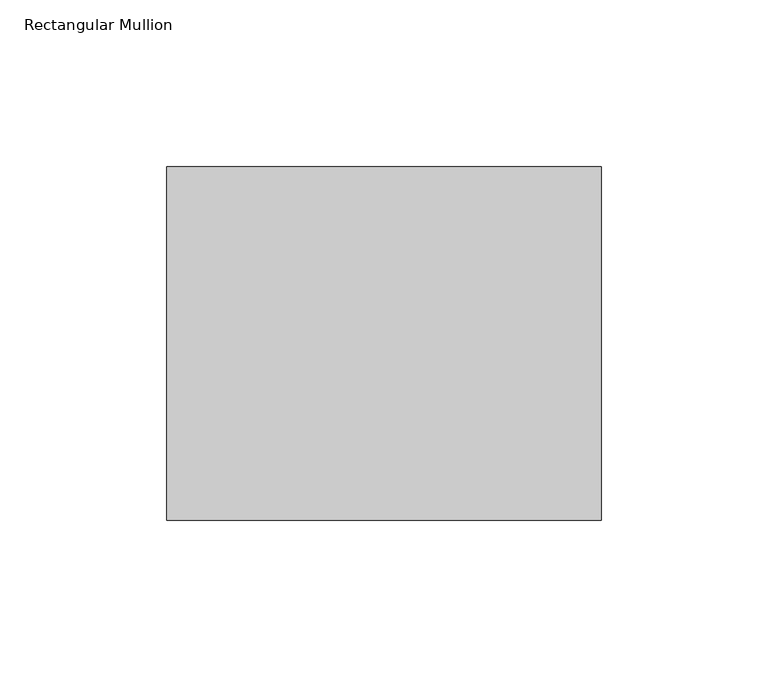
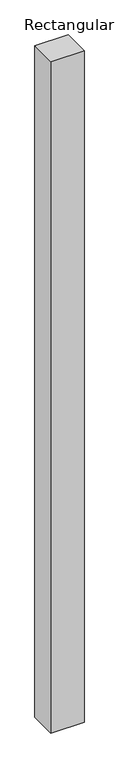
"""IFC4 building model written with IfcOpenShell, lengths in millimetres: member geometry, Rectangular Mullion."""

from ifc_helpers import new_model, si_unit, frame, origin, place, context, project, spatial, polyline, outline, extrude, source, transform, mapped, element, save


def rectangular_mullion_b66e7257(model_context):
    return source(origin(), model_context, "Body", "SweptSolid", [
        extrude(outline(polyline([(-130.0, 52.8779994), (0.0, 52.8779994), (0.0, -52.8779994), (-130.0, -52.8779994), (-130.0, 52.8779994)])), frame((0.0, 0.0, -2760.0), z_axis=(0.0, 0.0, 1.0), x_axis=(1.0, 0.0, 0.0)), (0.0, 0.0, 1.0), 2760.0),
    ])


if __name__ == "__main__":
    model = new_model("IFC4")
    model_context = context("Model", 3, world=origin())
    ifc_project = project(units=[si_unit("LENGTHUNIT", "METRE", prefix="MILLI")], contexts=[model_context])
    site = spatial("IfcSite", under=ifc_project)
    building = spatial("IfcBuilding", under=site)
    placement = place(None, origin())
    rectangular_mullion_shape = rectangular_mullion_b66e7257(model_context)
    element("IfcMember", 1, ObjectType="Rectangular Mullion", at=placement, inside=building, context=model_context, shape_type="MappedRepresentation", body=[
        mapped(rectangular_mullion_shape, transform((0.0, 0.0, 0.0), x_axis=(1.0, 0.0, 0.0), y_axis=(0.0, 1.0, 0.0), z_axis=(0.0, 0.0, 1.0))),
    ])
    save(model, "model.ifc")
